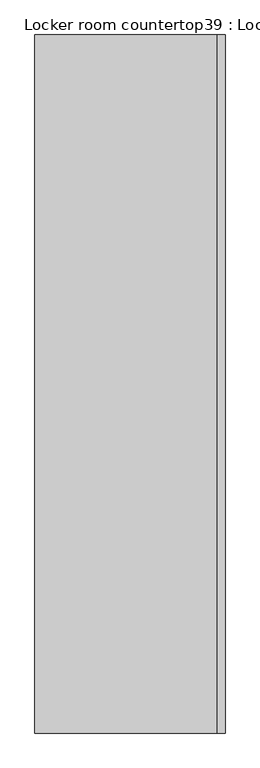
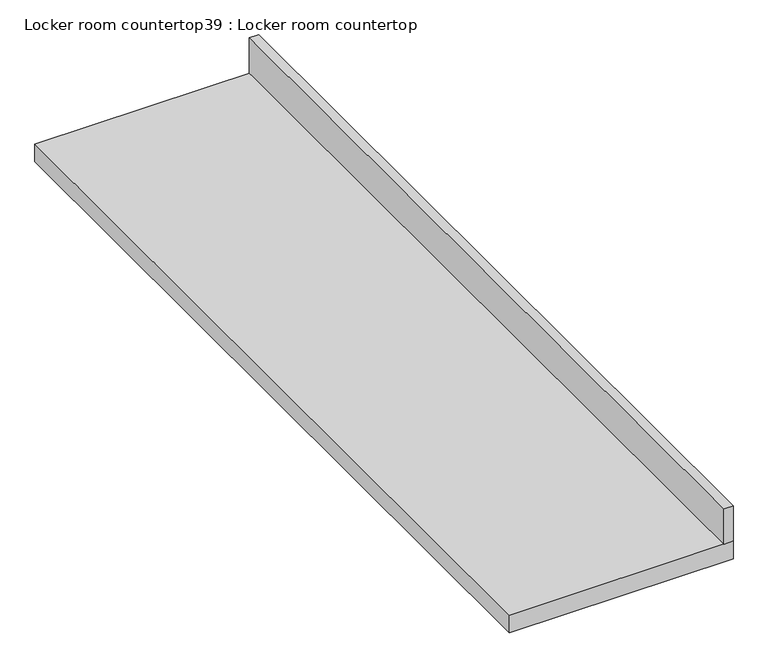
"""IFC4 building model written with IfcOpenShell, lengths in millimetres: furniture geometry, Locker room countertop39 : Locker room countertop."""

from ifc_helpers import new_model, si_unit, frame, origin, place, context, project, spatial, polyline, outline, extrude, source, transform, mapped, element, save


def locker_room_countertop39_locker_room_countertop_1a03e23f(model_context):
    return source(origin(), model_context, "Body", "SweptSolid", [
        extrude(outline(polyline([(328213.8254676, -264340.1955223), (328213.8254676, -262101.8205223), (328239.2254676, -262101.8205223), (328239.2254676, -264340.1955223), (328213.8254676, -264340.1955223)])), frame((0.0, 0.0, 914.4), z_axis=(0.0, 0.0, 1.0), x_axis=(1.0, 0.0, 0.0)), (0.0, 0.0, 1.0), 101.6),
        extrude(outline(polyline([(327629.6254676, -264340.1955223), (327629.6254676, -262101.8205223), (328239.2254676, -262101.8205223), (328239.2254676, -264340.1955223), (327629.6254676, -264340.1955223)])), frame((0.0, 0.0, 863.6), z_axis=(0.0, 0.0, 1.0), x_axis=(1.0, 0.0, 0.0)), (0.0, 0.0, 1.0), 50.8),
    ])


if __name__ == "__main__":
    model = new_model("IFC4")
    model_context = context("Model", 3, world=origin())
    ifc_project = project(units=[si_unit("LENGTHUNIT", "METRE", prefix="MILLI")], contexts=[model_context])
    site = spatial("IfcSite", under=ifc_project)
    building = spatial("IfcBuilding", under=site)
    placement = place(None, origin())
    locker_room_countertop39_locker_room_countertop_shape = locker_room_countertop39_locker_room_countertop_1a03e23f(model_context)
    element("IfcFurniture", 1, ObjectType="Locker room countertop39 : Locker room countertop", at=placement, inside=building, context=model_context, shape_type="MappedRepresentation", body=[
        mapped(locker_room_countertop39_locker_room_countertop_shape, transform((0.0, 0.0, 0.0), x_axis=(1.0, 0.0, 0.0), y_axis=(0.0, 1.0, 0.0), z_axis=(0.0, 0.0, 1.0))),
    ])
    save(model, "model.ifc")
